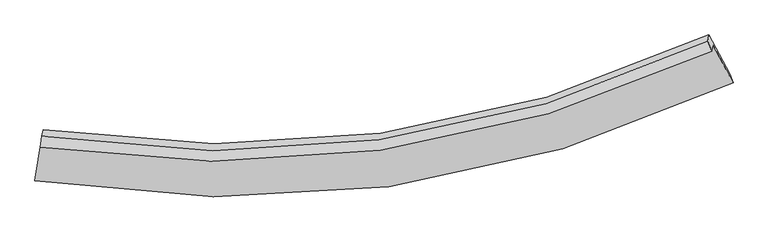
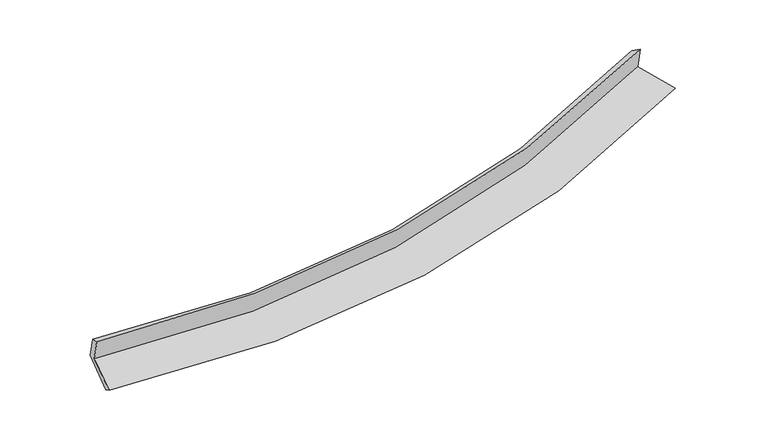
"""IFC4 building model written with IfcOpenShell, lengths in millimetres: proxy geometry."""

from ifc_helpers import new_model, si_unit, frame, origin, place, context, project, spatial, source, transform, mapped, element, save
from ifc_brep_helpers import plane_surface, spline_curve, spline_surface, advanced_brep


def generic_models_fa5a1a23(model_context):
    return source(origin(), model_context, "Body", "AdvancedBrep", [
        advanced_brep(
        [(-5100.3846044, -1955.1093808, 1561.4239257), (-5196.3289237, -2557.1915981, 1393.3544433), (5302.2665544, -1089.5621249, 2275.9630256), (4996.6564397, -511.790267, 2419.1946791), (-5117.6214549, -2058.3631431, 1941.1539701), (4979.5924891, -614.0083081, 2795.1157152), (-5090.8265212, -1891.6081653, 1871.9464408), (4923.4866411, -463.6205546, 2700.1635434), (-5074.6430337, -1794.6643552, 1515.4221213), (4939.581049, -367.2103567, 2345.6016571), (-5176.0332685, -2431.1671443, 1317.3165859), (5252.1354763, -951.2340668, 2180.3011068)],
        [
            (0, 1),
            (1, 2, spline_curve(3, [(-5196.3289237, -2557.1915981, 1393.3544433), (-3382.79532369, -2854.282147169, 1425.428192973), (-1610.182729072, -2884.773221406, 1513.60339448), (1891.162918756, -2407.380406993, 1805.31956135), (3618.082149595, -1887.679508457, 2011.347220199), (5302.2665544, -1089.5621249, 2275.9630256)], [4, 2, 4], [0.0, 17.13869130778941, 34.65310021748117])),
            (2, 3),
            (3, 0, spline_curve(3, [(4996.6564397, -511.790267, 2419.1946791), (3378.203292771, -1260.658832185, 2149.792784737), (1717.985781686, -1753.93227407, 1943.512972391), (-1649.467197885, -2224.190256565, 1660.268519392), (-3354.930034971, -2212.02318576, 1580.624747202), (-5100.3846044, -1955.1093808, 1561.4239257)], [4, 2, 4], [0.0, 17.514408909691756, 34.65310021748117])),
            (4, 0),
            (3, 5),
            (5, 4, spline_curve(3, [(4979.5924891, -614.0083081, 2795.1157152), (3360.583799319, -1366.204736507, 2537.952499973), (1700.076806119, -1861.212261102, 2338.050017502), (-1667.422514279, -2331.747837985, 2055.826456712), (-3372.653502653, -2318.191925587, 1971.075024079), (-5117.6214549, -2058.3631431, 1941.1539701)], [4, 2, 4], [0.0, 17.169787831689455, 33.97125084336602])),
            (6, 4),
            (5, 7),
            (7, 6, spline_curve(3, [(4923.4866411, -463.6205546, 2700.1635434), (3318.796042399, -1217.549029505, 2438.844336287), (1672.429490545, -1712.019516125, 2239.078548912), (-1667.443775909, -2177.003043673, 1965.618732786), (-3359.181611509, -2158.528427548, 1889.31215277), (-5090.8265212, -1891.6081653, 1871.9464408)], [4, 2, 4], [0.0, 17.101595821110738, 33.83632967138698])),
            (8, 6),
            (7, 9),
            (9, 8, spline_curve(3, [(4939.581049, -367.2103567, 2345.6016571), (3335.221157428, -1119.157801838, 2076.996937562), (1689.025750843, -1612.603075531, 1873.460787998), (-1650.824594524, -2077.449300932, 1599.496023477), (-3342.703882808, -2059.822026572, 1526.305661168), (-5074.6430337, -1794.6643552, 1515.4221213)], [4, 2, 4], [0.0, 17.033267420516687, 33.70113864520421])),
            (10, 8),
            (9, 11),
            (11, 10, spline_curve(3, [(5252.1354763, -951.2340668, 2180.3011068), (3581.129672004, -1742.514163315, 1911.872815038), (1866.725146876, -2259.881138183, 1705.630572298), (-1611.173101575, -2741.566293183, 1420.608468422), (-3372.82482441, -2717.510343811, 1339.189203645), (-5176.0332685, -2431.1671443, 1317.3165859)], [4, 2, 4], [0.0, 17.386811502470838, 34.40064261170548])),
            (1, 10),
            (11, 2),
        ],
        [
            spline_surface(3, 3, [[(-5100.3846044, -1955.1093808, 1561.4239257), (-3354.930035196, -2212.023185997, 1580.624747114), (-1649.467198005, -2224.19025671, 1660.268519245), (1717.985781809, -1753.932273922, 1943.512972541), (3378.203292698, -1260.658831961, 2149.792784829), (4996.6564397, -511.790267, 2419.1946791)], [(-5132.36604419, -2155.803453212, 1505.400764906), (-3364.218464812, -2426.109506363, 1528.89256249), (-1636.372375025, -2444.384578244, 1611.380144422), (1775.711494126, -1971.748318346, 1897.448502062), (3458.162911762, -1469.665724179, 2103.644263306), (5098.526477944, -704.380886302, 2371.450794577)], [(-5164.34748391, -2356.497525688, 1449.377604094), (-3373.506894359, -2640.195826794, 1477.160377847), (-1623.27755205, -2664.578899726, 1562.491769571), (1833.437206437, -2189.564362718, 1851.384031555), (3538.122530793, -1678.672616391, 2057.495741852), (5200.396516156, -896.971505598, 2323.706910123)], [(-5196.3289237, -2557.1915981, 1393.3544433), (-3382.795323975, -2854.28214716, 1425.428193223), (-1610.182729069, -2884.773221261, 1513.603394748), (1891.162918754, -2407.380407141, 1805.319561076), (3618.082149857, -1887.679508609, 2011.347220329), (5302.2665544, -1089.5621249, 2275.9630256)]], [4, 4], [4, 2, 4], [0.0, 2.233414191928617], [0.0, 17.13869130778941, 34.65310021748117]),
            spline_surface(3, 3, [[(-5117.6214549, -2058.3631431, 1941.1539701), (-3372.653502571, -2318.191925307, 1971.075024126), (-1667.422514356, -2331.747838205, 2055.826456689), (1700.076806197, -1861.212260877, 2338.050017526), (3360.583799321, -1366.204736321, 2537.952500045), (4979.5924891, -614.0083081, 2795.1157152)], [(-5111.875838043, -2023.945222345, 1814.577288611), (-3366.745680089, -2282.802345549, 1840.924931766), (-1661.43740892, -2295.895311012, 1923.973810868), (1706.04646472, -1825.452265197, 2206.537669191), (3366.456963784, -1331.022768208, 2408.565928332), (4985.280472637, -579.935627741, 2669.808703193)], [(-5106.130221257, -1989.527301555, 1688.000607189), (-3360.837857677, -2247.412765755, 1710.774839474), (-1655.452303441, -2260.042783904, 1792.121165067), (1712.016123286, -1789.692269603, 2075.025320876), (3372.330128236, -1295.840800073, 2279.179356542), (4990.968456163, -545.862947359, 2544.501691107)], [(-5100.3846044, -1955.1093808, 1561.4239257), (-3354.930035196, -2212.023185997, 1580.624747114), (-1649.467198005, -2224.19025671, 1660.268519245), (1717.985781809, -1753.932273922, 1943.512972541), (3378.203292698, -1260.658831961, 2149.792784829), (4996.6564397, -511.790267, 2419.1946791)]], [4, 4], [4, 2, 4], [0.0, 1.344390944235726], [0.0, 16.801463011676567, 33.97125084336602]),
            spline_surface(3, 3, [[(-5090.8265212, -1891.6081653, 1871.9464408), (-3359.181611666, -2158.528427517, 1889.312152798), (-1667.443776053, -2177.003043735, 1965.618732809), (1672.429490692, -1712.019516062, 2239.078548887), (3318.796042563, -1217.54902965, 2438.844336436), (4923.4866411, -463.6205546, 2700.1635434)], [(-5099.75816579, -1947.193157885, 1895.015617237), (-3363.672241991, -2211.749593432, 1916.566443244), (-1667.436688811, -2228.584641903, 1995.687974097), (1681.645262537, -1761.750431012, 2272.069038427), (3332.725294816, -1267.100931873, 2471.880390964), (4942.188590433, -513.749805766, 2731.814267325)], [(-5108.68981031, -2002.778150515, 1918.084793663), (-3368.162872246, -2264.970759392, 1943.82073368), (-1667.429601598, -2280.166240037, 2025.757215402), (1690.861034353, -1811.481345928, 2305.059527985), (3346.654547069, -1316.652834098, 2504.916445517), (4960.890539767, -563.879056934, 2763.464991275)], [(-5117.6214549, -2058.3631431, 1941.1539701), (-3372.653502571, -2318.191925307, 1971.075024126), (-1667.422514356, -2331.747838205, 2055.826456689), (1700.076806197, -1861.212260877, 2338.050017526), (3360.583799321, -1366.204736321, 2537.952500045), (4979.5924891, -614.0083081, 2795.1157152)]], [4, 4], [4, 2, 4], [0.0, 0.5891014096473391], [0.0, 16.73473385027624, 33.83632967138698]),
            spline_surface(3, 3, [[(-5074.6430337, -1794.6643552, 1515.4221213), (-3342.703882936, -2059.82202663, 1526.305660997), (-1650.824594799, -2077.449300869, 1599.496023383), (1689.025751125, -1612.603075595, 1873.460788094), (3335.221157218, -1119.157801834, 2076.996937614), (4939.581049, -367.2103567, 2345.6016571)], [(-5080.037529527, -1826.978958575, 1634.263561143), (-3348.196459173, -2092.724160268, 1647.30782494), (-1656.364321882, -2110.633881827, 1721.536926555), (1683.493664316, -1645.741889087, 1995.333375055), (3329.746118979, -1151.954877751, 2197.612737204), (4934.216246346, -399.347089311, 2463.788952516)], [(-5085.432025373, -1859.293561925, 1753.105000957), (-3353.68903543, -2125.626293879, 1768.309988855), (-1661.90404897, -2143.818462777, 1843.577829637), (1677.961577501, -1678.880702571, 2117.205961926), (3324.271080802, -1184.751953733, 2318.228536846), (4928.851443754, -431.483821989, 2581.976247984)], [(-5090.8265212, -1891.6081653, 1871.9464408), (-3359.181611666, -2158.528427517, 1889.312152798), (-1667.443776053, -2177.003043735, 1965.618732809), (1672.429490692, -1712.019516062, 2239.078548887), (3318.796042563, -1217.54902965, 2438.844336436), (4923.4866411, -463.6205546, 2700.1635434)]], [4, 4], [4, 2, 4], [0.0, 1.2451159704925376], [0.0, 16.667871224687524, 33.70113864520421]),
            spline_surface(3, 3, [[(-5176.0332685, -2431.1671443, 1317.3165859), (-3372.8248243, -2717.510344018, 1339.18920355), (-1611.17310143, -2741.56629304, 1420.608468175), (1866.725146727, -2259.881138329, 1705.630572551), (3581.129672112, -1742.514163455, 1911.872814938), (5252.1354763, -951.2340668, 2180.3011068)], [(-5142.236523546, -2218.999547941, 1383.35176435), (-3362.784510491, -2498.280904896, 1401.561356015), (-1624.390265882, -2520.193962332, 1480.237653213), (1807.492014864, -2044.1217841, 1761.573977701), (3499.160167164, -1534.728709591, 1966.914189182), (5147.950667216, -756.559496776, 2235.401290253)], [(-5108.439778654, -2006.831951559, 1449.38694285), (-3352.744196745, -2279.051465752, 1463.933508531), (-1637.607430347, -2298.821631577, 1539.866838344), (1748.258882988, -1828.362429824, 1817.517382944), (3417.190662166, -1326.943255699, 2021.955563369), (5043.765858084, -561.884926724, 2290.501473647)], [(-5074.6430337, -1794.6643552, 1515.4221213), (-3342.703882936, -2059.82202663, 1526.305660997), (-1650.824594799, -2077.449300869, 1599.496023383), (1689.025751125, -1612.603075595, 1873.460788094), (3335.221157218, -1119.157801834, 2076.996937614), (4939.581049, -367.2103567, 2345.6016571)]], [4, 4], [4, 2, 4], [0.0, 2.2536355817798652], [0.0, 17.01383110923464, 34.40064261170548]),
            spline_surface(3, 3, [[(-5196.3289237, -2557.1915981, 1393.3544433), (-3382.795323975, -2854.28214716, 1425.428193223), (-1610.182729069, -2884.773221261, 1513.603394748), (1891.162918754, -2407.380407141, 1805.319561076), (3618.082149857, -1887.679508609, 2011.347220329), (5302.2665544, -1089.5621249, 2275.9630256)], [(-5189.563705305, -2515.183446843, 1368.008490854), (-3379.471824088, -2808.691546122, 1396.681863352), (-1610.512853193, -2837.037578503, 1482.605085894), (1883.016994741, -2358.213984186, 1772.089898238), (3605.764657265, -1839.291060228, 1978.189085202), (5285.556195023, -1043.452772203, 2244.075719337)], [(-5182.798486895, -2473.175295557, 1342.662538346), (-3376.148324187, -2763.100945056, 1367.935533421), (-1610.842977306, -2789.301935798, 1451.606777029), (1874.87107074, -2309.047561284, 1738.860235389), (3593.447164704, -1790.902611837, 1945.030950065), (5268.845835677, -997.343419497, 2212.188413063)], [(-5176.0332685, -2431.1671443, 1317.3165859), (-3372.8248243, -2717.510344018, 1339.18920355), (-1611.17310143, -2741.56629304, 1420.608468175), (1866.725146727, -2259.881138329, 1705.630572551), (3581.129672112, -1742.514163455, 1911.872814938), (5252.1354763, -951.2340668, 2180.3011068)]], [4, 4], [4, 2, 4], [0.0, 0.5739529900842523], [0.0, 17.418084549294917, 35.21801161147873]),
            plane_surface(frame((5065.6197749, -666.237613, 2452.7232879), z_axis=(0.8885292125646158, 0.4309366975102731, 0.1575100033592893), x_axis=(-0.04376000177477372, -0.26213517380324697, 0.9640384913994946))),
            plane_surface(frame((-5125.9729677, -2114.6839645, 1600.1029145), z_axis=(-0.9874559381918069, 0.15788346739867998, -0.0018923139032840375), x_axis=(0.1517096976940167, 0.9520283406376661, 0.26575591479453897))),
        ],
        [
            (0, [[1, 2, 3, 4]]),
            (1, [[5, -4, 6, 7]]),
            (2, [[8, -7, 9, 10]]),
            (3, [[11, -10, 12, 13]]),
            (4, [[14, -13, 15, 16]]),
            (5, [[17, -16, 18, -2]]),
            (6, [[-12, -9, -6, -3, -18, -15]]),
            (7, [[-1, -5, -8, -11, -14, -17]]),
        ],
    ),
    ])


if __name__ == "__main__":
    model = new_model("IFC4")
    model_context = context("Model", 3, world=origin())
    ifc_project = project(units=[si_unit("LENGTHUNIT", "METRE", prefix="MILLI")], contexts=[model_context])
    site = spatial("IfcSite", under=ifc_project)
    building = spatial("IfcBuilding", under=site)
    placement = place(None, origin())
    generic_models_shape = generic_models_fa5a1a23(model_context)
    element("IfcBuildingElementProxy", 1, Name="Generic Models", at=placement, inside=building, context=model_context, shape_type="MappedRepresentation", body=[
        mapped(generic_models_shape, transform((0.0, 0.0, 0.0), x_axis=(1.0, 0.0, 0.0), y_axis=(0.0, 1.0, 0.0), z_axis=(0.0, 0.0, 1.0))),
    ])
    save(model, "model.ifc")
